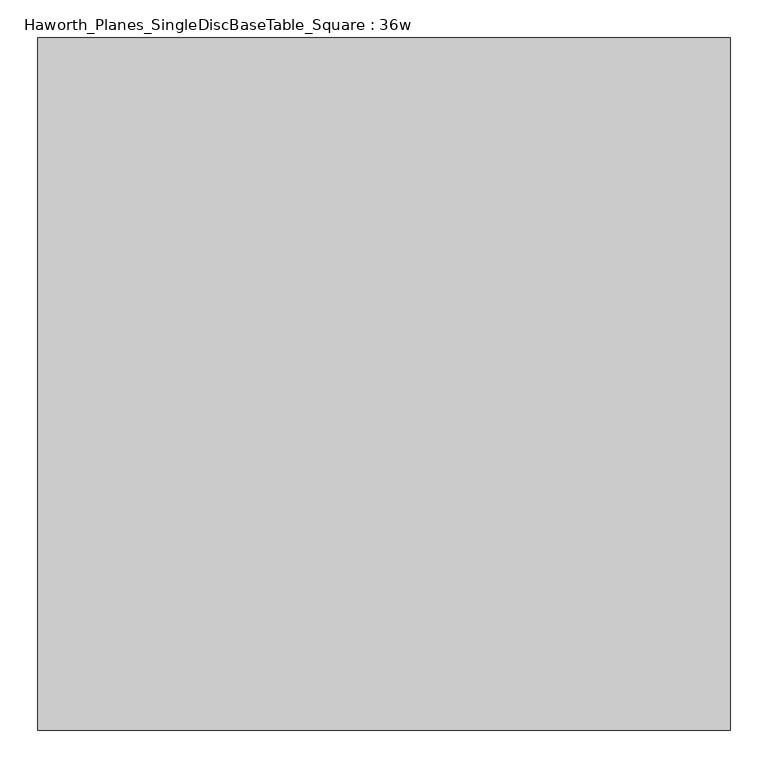
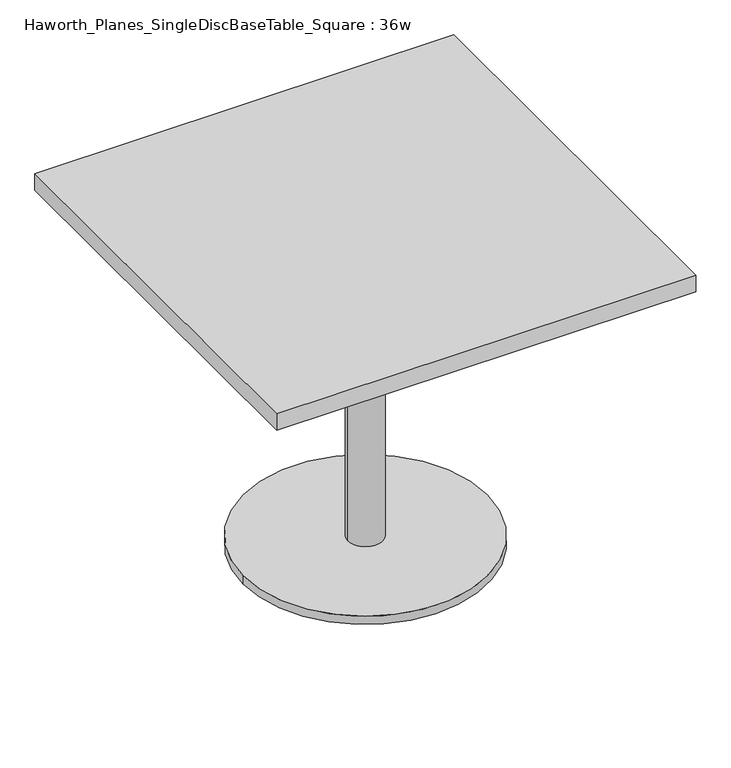
"""IFC4 building model written with IfcOpenShell, lengths in millimetres: furniture geometry, Haworth_Planes_SingleDiscBaseTable_Square : 36w."""

from ifc_helpers import new_model, si_unit, point, frame, origin, origin_with_axes, origin_2d, place, context, project, spatial, polyline, circle_curve, trimmed, segment, composite_curve, outline, extrude, source, transform, mapped, element, save


def haworth_planes_singlediscbasetable_square_36w_3d9bc355(model_context):
    return source(origin(), model_context, "Body", "SweptSolid", [
        extrude(outline(polyline([(136.525, 136.525), (136.525, -136.525), (-136.525, -136.525), (-136.525, 136.525), (136.525, 136.525)])), frame((0.0, 0.0, 692.15), z_axis=(0.0, 0.0, 1.0), x_axis=(1.0, 0.0, 0.0)), (0.0, 0.0, 1.0), 6.35),
        extrude(outline(polyline([(457.2, 457.2), (457.2, -457.2), (-457.2, -457.2), (-457.2, 457.2), (457.2, 457.2)])), frame((0.0, 0.0, 698.5), z_axis=(0.0, 0.0, 1.0), x_axis=(1.0, 0.0, 0.0)), (0.0, 0.0, 1.0), 38.1),
        extrude(outline(composite_curve([segment(trimmed(circle_curve(origin_2d(), 266.7), [point((-266.7, 0.0))], [point((266.7, 0.0))], False, "CARTESIAN"), True, "CONTINUOUS"), segment(trimmed(circle_curve(origin_2d(), 266.7), [point((266.7, 0.0))], [point((-266.7, 0.0))], False, "CARTESIAN"), True, "CONTINUOUS")], self_intersect=False)), origin_with_axes(), (0.0, 0.0, 1.0), 19.05),
        extrude(outline(composite_curve([segment(trimmed(circle_curve(origin_2d(), 38.1), [point((-38.1, 0.0))], [point((38.1, 0.0))], False, "CARTESIAN"), True, "CONTINUOUS"), segment(trimmed(circle_curve(origin_2d(), 38.1), [point((38.1, 0.0))], [point((-38.1, 0.0))], False, "CARTESIAN"), True, "CONTINUOUS")], self_intersect=False)), frame((0.0, 0.0, 19.05), z_axis=(0.0, 0.0, 1.0), x_axis=(1.0, 0.0, 0.0)), (0.0, 0.0, 1.0), 679.45),
    ])


if __name__ == "__main__":
    model = new_model("IFC4")
    model_context = context("Model", 3, world=origin())
    ifc_project = project(units=[si_unit("LENGTHUNIT", "METRE", prefix="MILLI")], contexts=[model_context])
    site = spatial("IfcSite", under=ifc_project)
    building = spatial("IfcBuilding", under=site)
    placement = place(None, origin())
    haworth_planes_singlediscbasetable_square_36w_shape = haworth_planes_singlediscbasetable_square_36w_3d9bc355(model_context)
    element("IfcFurniture", 1, ObjectType="Haworth_Planes_SingleDiscBaseTable_Square : 36w", at=placement, inside=building, context=model_context, shape_type="MappedRepresentation", body=[
        mapped(haworth_planes_singlediscbasetable_square_36w_shape, transform((0.0, 0.0, 0.0), x_axis=(1.0, 0.0, 0.0), y_axis=(0.0, 1.0, 0.0), z_axis=(0.0, 0.0, 1.0))),
    ])
    save(model, "model.ifc")
